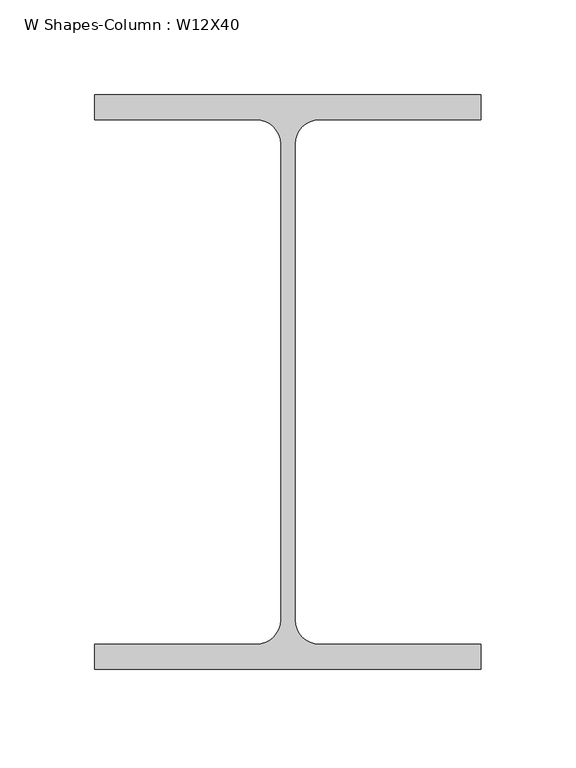
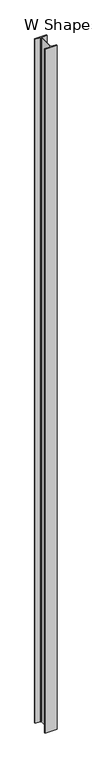
"""IFC4 building model written with IfcOpenShell, lengths in millimetres: column geometry, W Shapes-Column : W12X40."""

from ifc_helpers import new_model, si_unit, point, frame_2d, origin, origin_with_axes, place, context, project, spatial, polyline, circle_curve, trimmed, segment, composite_curve, outline, extrude, source, transform, mapped, element, save


def w_shapes_column_w12x40_c5b3876a(model_context):
    return source(origin(), model_context, "Body", "SweptSolid", [
        extrude(outline(composite_curve([segment(polyline([(101.727, 151.13), (101.727, 138.049), (16.5735, 138.049)]), True, "CONTINUOUS"), segment(trimmed(circle_curve(frame_2d((16.5735, 125.222)), 12.827), [point((16.5735, 138.049))], [point((3.7465, 125.222))], True, "CARTESIAN"), True, "CONTINUOUS"), segment(polyline([(3.7465, 125.222), (3.7465, -125.222)]), True, "CONTINUOUS"), segment(trimmed(circle_curve(frame_2d((16.5735, -125.222)), 12.827), [point((3.7465, -125.222))], [point((16.5735, -138.049))], True, "CARTESIAN"), True, "CONTINUOUS"), segment(polyline([(16.5735, -138.049), (101.727, -138.049), (101.727, -151.13), (-101.727, -151.13), (-101.727, -138.049), (-16.5735, -138.049)]), True, "CONTINUOUS"), segment(trimmed(circle_curve(frame_2d((-16.5735, -125.222)), 12.827), [point((-16.5735, -138.049))], [point((-3.7465, -125.222))], True, "CARTESIAN"), True, "CONTINUOUS"), segment(polyline([(-3.7465, -125.222), (-3.7465, 125.222)]), True, "CONTINUOUS"), segment(trimmed(circle_curve(frame_2d((-16.5735, 125.222)), 12.827), [point((-3.7465, 125.222))], [point((-16.5735, 138.049))], True, "CARTESIAN"), True, "CONTINUOUS"), segment(polyline([(-16.5735, 138.049), (-101.727, 138.049), (-101.727, 151.13), (101.727, 151.13)]), True, "CONTINUOUS")], self_intersect=False)), origin_with_axes(), (0.0, 0.0, 1.0), 12192.0),
    ])


if __name__ == "__main__":
    model = new_model("IFC4")
    model_context = context("Model", 3, world=origin())
    ifc_project = project(units=[si_unit("LENGTHUNIT", "METRE", prefix="MILLI")], contexts=[model_context])
    site = spatial("IfcSite", under=ifc_project)
    building = spatial("IfcBuilding", under=site)
    placement = place(None, origin())
    w_shapes_column_w12x40_shape = w_shapes_column_w12x40_c5b3876a(model_context)
    element("IfcColumn", 1, ObjectType="W Shapes-Column : W12X40", at=placement, inside=building, context=model_context, shape_type="MappedRepresentation", body=[
        mapped(w_shapes_column_w12x40_shape, transform((0.0, 0.0, 0.0), x_axis=(1.0, 0.0, 0.0), y_axis=(0.0, 1.0, 0.0), z_axis=(0.0, 0.0, 1.0))),
    ])
    save(model, "model.ifc")
